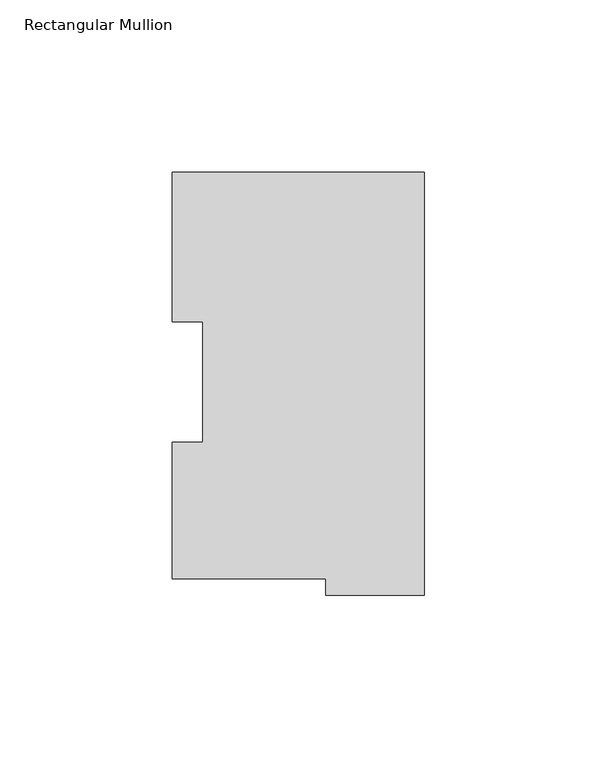
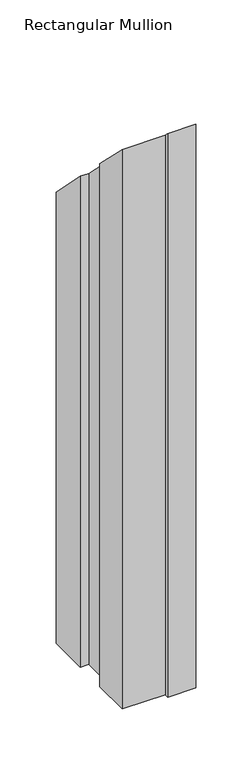
"""IFC4 building model written with IfcOpenShell, lengths in millimetres: member geometry, Rectangular Mullion."""

from ifc_helpers import new_model, si_unit, origin, place, context, project, spatial, faceted_brep, source, transform, mapped, element, save


def rectangular_mullion_f191d504(model_context):
    return source(origin(), model_context, "Body", "Brep", [
        faceted_brep([(0.0, 117.827425, -609.6), (0.0, -4.778375, -609.6), (-28.575, -4.778375, -609.6), (-28.575, -0.028575, -609.6), (-73.025, -0.028575, -609.6), (-73.025, 39.646225, -609.6), (-64.2874, 39.646225, -609.6), (-64.2874, 74.596625, -609.6), (-73.025, 74.596625, -609.6), (-73.025, 117.827425, -609.6), (-73.025, 117.827425, -117.827425), (0.0, 117.827425, -117.827425), (-73.025, 74.596625, -74.596625), (-64.2874, 74.596625, -74.596625), (-64.2874, 39.646225, -39.646225), (-73.025, 39.646225, -39.646225), (-73.025, -0.028575, 0.028575), (-28.575, -0.028575, 0.028575), (-28.575, -4.778375, 4.778375), (0.0, -4.778375, 4.778375)], [[[0, 1, 2, 3, 4, 5, 6, 7, 8, 9]], [[10, 11, 0, 9]], [[12, 10, 9, 8]], [[13, 12, 8, 7]], [[14, 13, 7, 6]], [[15, 14, 6, 5]], [[16, 15, 5, 4]], [[17, 16, 4, 3]], [[18, 17, 3, 2]], [[19, 18, 2, 1]], [[11, 19, 1, 0]], [[11, 10, 12, 13, 14, 15, 16, 17, 18, 19]]]),
    ])


if __name__ == "__main__":
    model = new_model("IFC4")
    model_context = context("Model", 3, world=origin())
    ifc_project = project(units=[si_unit("LENGTHUNIT", "METRE", prefix="MILLI")], contexts=[model_context])
    site = spatial("IfcSite", under=ifc_project)
    building = spatial("IfcBuilding", under=site)
    placement = place(None, origin())
    rectangular_mullion_shape = rectangular_mullion_f191d504(model_context)
    element("IfcMember", 1, ObjectType="Rectangular Mullion", at=placement, inside=building, context=model_context, shape_type="MappedRepresentation", body=[
        mapped(rectangular_mullion_shape, transform((0.0, 0.0, 0.0), x_axis=(1.0, 0.0, 0.0), y_axis=(0.0, 1.0, 0.0), z_axis=(0.0, 0.0, 1.0))),
    ])
    save(model, "model.ifc")
